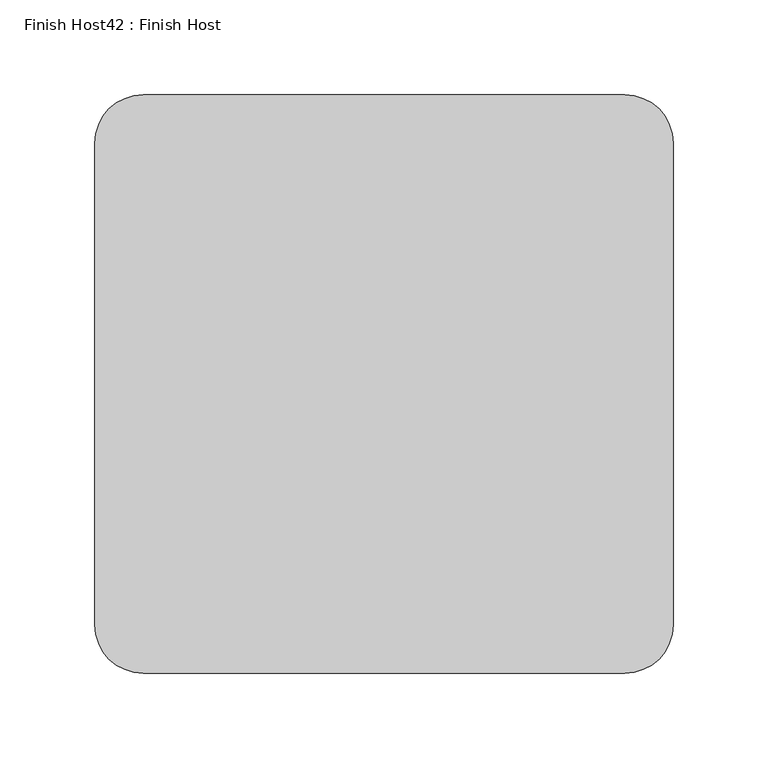
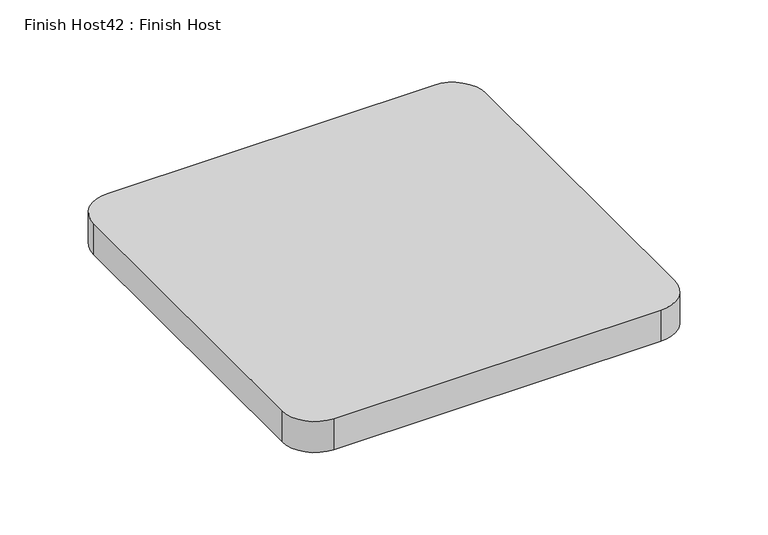
"""IFC4 building model written with IfcOpenShell, lengths in millimetres: proxy geometry, Finish Host42 : Finish Host."""

from ifc_helpers import new_model, si_unit, point, frame_2d, origin, origin_with_axes, place, context, project, spatial, polyline, circle_curve, trimmed, segment, composite_curve, outline, extrude, source, transform, mapped, element, save


def finish_host42_finish_host_8a8fd854(model_context):
    return source(origin(), model_context, "Body", "SweptSolid", [
        extrude(outline(composite_curve([segment(polyline([(3070.6934426, 2527.6122951), (3070.6934426, 2781.6122951)]), True, "CONTINUOUS"), segment(trimmed(circle_curve(frame_2d((3096.0934426, 2781.6122951)), 25.4), [point((3070.6934426, 2781.6122951))], [point((3096.0934426, 2807.0122951))], False, "CARTESIAN"), True, "CONTINUOUS"), segment(polyline([(3096.0934426, 2807.0122951), (3350.0934426, 2807.0122951)]), True, "CONTINUOUS"), segment(trimmed(circle_curve(frame_2d((3350.0934426, 2781.6122951)), 25.4), [point((3350.0934426, 2807.0122951))], [point((3375.4934426, 2781.6122951))], False, "CARTESIAN"), True, "CONTINUOUS"), segment(polyline([(3375.4934426, 2781.6122951), (3375.4934426, 2527.6122951)]), True, "CONTINUOUS"), segment(trimmed(circle_curve(frame_2d((3350.0934426, 2527.6122951)), 25.4), [point((3375.4934426, 2527.6122951))], [point((3350.0934426, 2502.2122951))], False, "CARTESIAN"), True, "CONTINUOUS"), segment(polyline([(3350.0934426, 2502.2122951), (3096.0934426, 2502.2122951)]), True, "CONTINUOUS"), segment(trimmed(circle_curve(frame_2d((3096.0934426, 2527.6122951)), 25.4), [point((3096.0934426, 2502.2122951))], [point((3070.6934426, 2527.6122951))], False, "CARTESIAN"), True, "CONTINUOUS")], self_intersect=False)), origin_with_axes(), (0.0, 0.0, 1.0), 25.4),
    ])


if __name__ == "__main__":
    model = new_model("IFC4")
    model_context = context("Model", 3, world=origin())
    ifc_project = project(units=[si_unit("LENGTHUNIT", "METRE", prefix="MILLI")], contexts=[model_context])
    site = spatial("IfcSite", under=ifc_project)
    building = spatial("IfcBuilding", under=site)
    placement = place(None, origin())
    finish_host42_finish_host_shape = finish_host42_finish_host_8a8fd854(model_context)
    element("IfcBuildingElementProxy", 1, Name="Finish Host42 : Finish Host", ObjectType="Finish Host42 : Finish Host", at=placement, inside=building, context=model_context, shape_type="MappedRepresentation", body=[
        mapped(finish_host42_finish_host_shape, transform((0.0, 0.0, 0.0), x_axis=(1.0, 0.0, 0.0), y_axis=(0.0, 1.0, 0.0), z_axis=(0.0, 0.0, 1.0))),
    ])
    save(model, "model.ifc")
